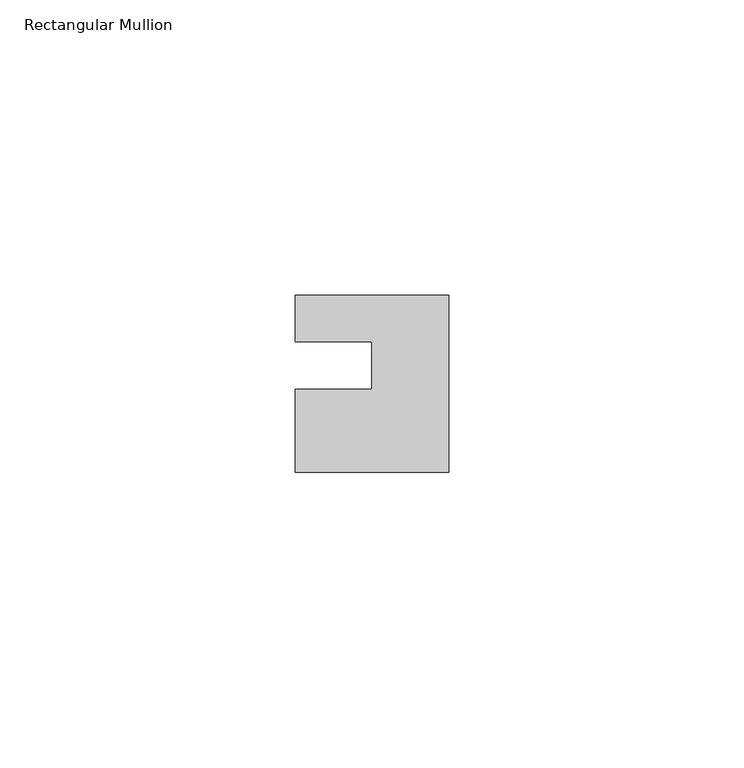
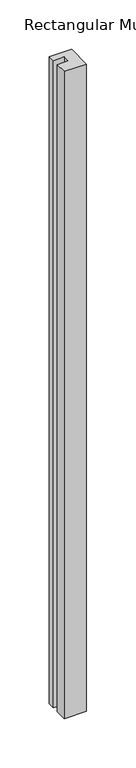
"""IFC4 building model written with IfcOpenShell, lengths in millimetres: member geometry, Rectangular Mullion."""

from ifc_helpers import new_model, si_unit, frame, origin, place, context, project, spatial, polyline, outline, extrude, source, transform, mapped, element, save


def rectangular_mullion_55815ecb(model_context):
    return source(origin(), model_context, "Body", "SweptSolid", [
        extrude(outline(polyline([(-26.0, 0.001), (-26.0, 7.94), (0.0, 7.94), (0.0, -22.06), (-26.0, -22.06), (-26.0, -8.0), (-13.0, -8.0), (-13.0, 0.001), (-26.0, 0.001)])), frame((0.0, 0.0, -800.0), z_axis=(0.0, 0.0, 1.0), x_axis=(1.0, 0.0, 0.0)), (0.0, 0.0, 1.0), 800.0),
    ])


if __name__ == "__main__":
    model = new_model("IFC4")
    model_context = context("Model", 3, world=origin())
    ifc_project = project(units=[si_unit("LENGTHUNIT", "METRE", prefix="MILLI")], contexts=[model_context])
    site = spatial("IfcSite", under=ifc_project)
    building = spatial("IfcBuilding", under=site)
    placement = place(None, origin())
    rectangular_mullion_shape = rectangular_mullion_55815ecb(model_context)
    element("IfcMember", 1, ObjectType="Rectangular Mullion", at=placement, inside=building, context=model_context, shape_type="MappedRepresentation", body=[
        mapped(rectangular_mullion_shape, transform((0.0, 0.0, 0.0), x_axis=(1.0, 0.0, 0.0), y_axis=(0.0, 1.0, 0.0), z_axis=(0.0, 0.0, 1.0))),
    ])
    save(model, "model.ifc")
